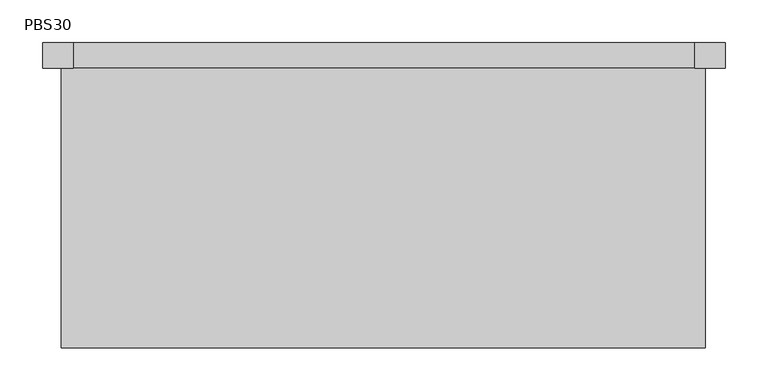
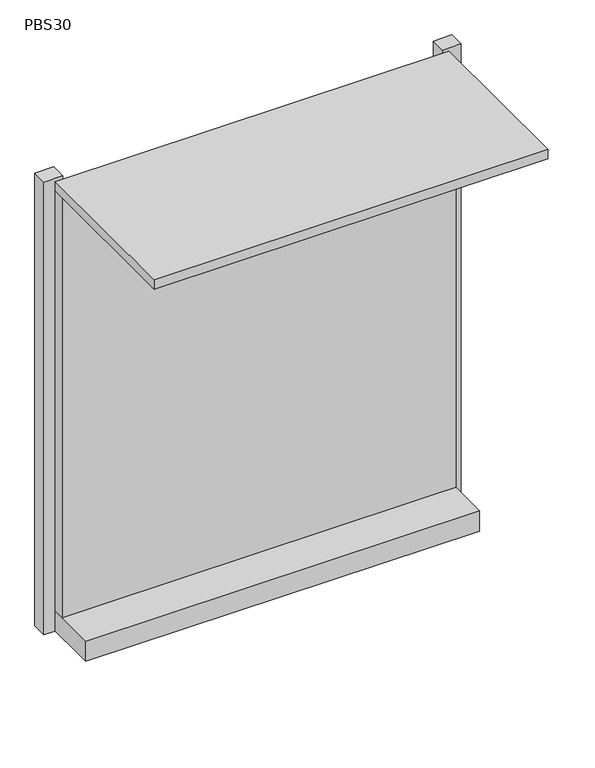
"""IFC4 building model written with IfcOpenShell, lengths in millimetres: furniture geometry, PBS30."""

import ifcopenshell
import ifcopenshell.guid

model = None  # the IFC model being written
_history = None  # IfcOwnerHistory: only IFC2X3 demands one
_inside = {}  # id of a spatial element -> (the spatial element, [elements in it])
_under = {}  # id of a project, library or spatial element -> (it, [spatial elements below it])
_declared = {}  # id of a project -> (the project, [libraries it declares])
_typed = {}  # id of a type object -> (the type object, [elements of that type])
_made_of = {}  # id of a material, layer set ... -> (it, [elements and type objects made of it])


def new_model(schema):
    """Start an empty IFC model of exactly this schema.

    Asked for "IFC4X3", IfcOpenShell would pick the latest addendum, in which some entities
    have other attributes; the version numbers below select the first issue.
    IFC2X3 requires an IfcOwnerHistory on every rooted entity: one is made here for all.
    """
    global model, _history
    if schema == "IFC4X3":
        model = ifcopenshell.file(schema_version=(4, 3, 0, 0))
    else:
        model = ifcopenshell.file(schema=schema)
    _inside.clear()
    _under.clear()
    _declared.clear()
    _typed.clear()
    _made_of.clear()
    _history = None
    if model.schema == "IFC2X3":
        org = make("IfcOrganization", Name="unknown")
        user = make(
            "IfcPersonAndOrganization",
            ThePerson=make("IfcPerson", FamilyName="unknown"),
            TheOrganization=org,
        )
        app = make(
            "IfcApplication",
            ApplicationDeveloper=org,
            Version="unknown",
            ApplicationFullName="unknown",
            ApplicationIdentifier="unknown",
        )
        _history = make(
            "IfcOwnerHistory",
            OwningUser=user,
            OwningApplication=app,
            ChangeAction="ADDED",
            CreationDate=0,
        )
    return model


def make(cls, **values):
    """One entity of the class cls with the attributes given. An attribute that is None is left unset."""
    return model.create_entity(
        cls, **{name: value for name, value in values.items() if value is not None}
    )


def rooted(cls, **values):
    """An entity with a GlobalId (a new one), such as an element, a storey or a relation."""
    return make(cls, GlobalId=ifcopenshell.guid.new(), OwnerHistory=_history, **values)


def si_unit(unit_type, name, prefix=None):
    """IfcSIUnit, for example si_unit("LENGTHUNIT", "METRE", prefix="MILLI")."""
    return make("IfcSIUnit", UnitType=unit_type, Prefix=prefix, Name=name)


def assignment(units):
    """IfcUnitAssignment: the units of a project."""
    return None if units is None else make("IfcUnitAssignment", Units=units)


def point(xyz):
    """IfcCartesianPoint."""
    return None if xyz is None else make("IfcCartesianPoint", Coordinates=xyz)


def direction(xyz):
    """IfcDirection."""
    return None if xyz is None else make("IfcDirection", DirectionRatios=xyz)


def frame(location, z_axis=None, x_axis=None):
    """IfcAxis2Placement3D, a coordinate frame: its origin and axes. An axis left out is left unset."""
    return make(
        "IfcAxis2Placement3D",
        Location=point(location),
        Axis=direction(z_axis),
        RefDirection=direction(x_axis),
    )


def origin():
    """The frame at (0, 0, 0) with its axes left unset."""
    return frame((0.0, 0.0, 0.0))


def place(relative_to, where):
    """IfcLocalPlacement: puts the frame where relative to a parent placement (None: the world)."""
    return make(
        "IfcLocalPlacement", PlacementRelTo=relative_to, RelativePlacement=where
    )


def context(
    kind, dimensions, precision=None, world=None, true_north=None, identifier=None
):
    """IfcGeometricRepresentationContext, for example the 3D "Model" context."""
    return make(
        "IfcGeometricRepresentationContext",
        ContextIdentifier=identifier,
        ContextType=kind,
        CoordinateSpaceDimension=dimensions,
        Precision=precision,
        WorldCoordinateSystem=world,
        TrueNorth=true_north,
    )


def project(units=None, contexts=None):
    """IfcProject with its units and contexts."""
    return rooted(
        "IfcProject",
        Name="project",
        RepresentationContexts=contexts,
        UnitsInContext=assignment(units),
    )


def spatial(cls, under=None, at=None, **own):
    """A site, building, storey or space (cls), placed at a placement, below another one or the project."""
    s = rooted(cls, ObjectPlacement=at, **own)
    if under is not None:
        _under.setdefault(under.id(), (under, []))[1].append(s)
    return s


def polyline(points):
    """IfcPolyline through the points."""
    return make("IfcPolyline", Points=[point(p) for p in points])


def outline(outer, holes=None, kind="AREA"):
    """IfcArbitraryClosedProfileDef: a profile drawn as a closed curve; with holes, ...WithVoids."""
    if holes is None:
        return make("IfcArbitraryClosedProfileDef", ProfileType=kind, OuterCurve=outer)
    return make(
        "IfcArbitraryProfileDefWithVoids",
        ProfileType=kind,
        OuterCurve=outer,
        InnerCurves=holes,
    )


def extrude(swept, where, along, depth):
    """IfcExtrudedAreaSolid: the profile swept, set in the frame where, extruded along a direction by depth."""
    return make(
        "IfcExtrudedAreaSolid",
        SweptArea=swept,
        Position=where,
        ExtrudedDirection=direction(along),
        Depth=depth,
    )


def shape(context_of_items, identifier, shape_type, items):
    """IfcShapeRepresentation: the items that make up one representation, for example the "Body"."""
    return make(
        "IfcShapeRepresentation",
        ContextOfItems=context_of_items,
        RepresentationIdentifier=identifier,
        RepresentationType=shape_type,
        Items=items,
    )


def source(mapping_origin, context_of_items, identifier, shape_type, items):
    """IfcRepresentationMap: a shape defined once, which mapped items show again and again."""
    return make(
        "IfcRepresentationMap",
        MappingOrigin=mapping_origin,
        MappedRepresentation=shape(context_of_items, identifier, shape_type, items),
    )


def transform(
    local_origin,
    x_axis=None,
    y_axis=None,
    z_axis=None,
    scale=None,
    scale2=None,
    scale3=None,
    uniform=True,
):
    """IfcCartesianTransformationOperator3D, or its non-uniform kind. x_axis, y_axis, z_axis: its Axis1, 2, 3."""
    if uniform:
        return make(
            "IfcCartesianTransformationOperator3D",
            Axis1=direction(x_axis),
            Axis2=direction(y_axis),
            LocalOrigin=point(local_origin),
            Scale=scale,
            Axis3=direction(z_axis),
        )
    return make(
        "IfcCartesianTransformationOperator3DnonUniform",
        Axis1=direction(x_axis),
        Axis2=direction(y_axis),
        LocalOrigin=point(local_origin),
        Scale=scale,
        Axis3=direction(z_axis),
        Scale2=scale2,
        Scale3=scale3,
    )


def mapped(mapping_source, mapping_target):
    """IfcMappedItem: shows the shape of a source again, moved by a transform."""
    return make(
        "IfcMappedItem", MappingSource=mapping_source, MappingTarget=mapping_target
    )


def made_of(thing, what):
    """Note that an element or type object is made of a material, layer set ...; save() writes the relation."""
    if what is not None:
        _made_of.setdefault(what.id(), (what, []))[1].append(thing)
    return thing


def element(
    cls,
    number,
    at=None,
    inside=None,
    cuts=None,
    type_object=None,
    material=None,
    context=None,
    identifier="Body",
    shape_type=None,
    held_by="IfcProductDefinitionShape",
    body=None,
    shapes=None,
    **own,
):
    """One element of the class cls, such as IfcWall. Its Tag is "e" and its number.

    at: its placement. inside: the storey or other place that contains it. cuts: it is an
    opening in that element (IfcRelVoidsElement). A single representation is given by context,
    identifier, shape_type and body (its items); several are given by shapes. held_by: the class
    of the entity that holds the representations. save() writes the other relations.
    """
    e = rooted(cls, Tag="e%d" % number, ObjectPlacement=at, **own)
    if body is not None:
        shapes = [shape(context, identifier, shape_type, body)]
    if shapes is not None:
        e.Representation = make(held_by, Representations=shapes)
    if inside is not None:
        _inside.setdefault(inside.id(), (inside, []))[1].append(e)
    if cuts is not None:
        rooted(
            "IfcRelVoidsElement", RelatingBuildingElement=cuts, RelatedOpeningElement=e
        )
    if type_object is not None:
        _typed.setdefault(type_object.id(), (type_object, []))[1].append(e)
    return made_of(e, material)


def aggregate(whole, parts):
    """IfcRelAggregates: a whole, such as a stair, and the parts it consists of."""
    return rooted("IfcRelAggregates", RelatingObject=whole, RelatedObjects=parts)


def save(model, path):
    """Write the relations noted so far, then the file.

    IfcRelAggregates (storeys below a building ...), IfcRelContainedInSpatialStructure (elements
    in a storey), IfcRelDefinesByType, IfcRelAssociatesMaterial and IfcRelDeclares: one each for
    every whole, place, type object, material and project.
    """
    for whole, parts in _under.values():
        aggregate(whole, parts)
    for where, things in _inside.values():
        rooted(
            "IfcRelContainedInSpatialStructure",
            RelatedElements=things,
            RelatingStructure=where,
        )
    for kind, things in _typed.values():
        rooted("IfcRelDefinesByType", RelatedObjects=things, RelatingType=kind)
    for what, things in _made_of.values():
        rooted("IfcRelAssociatesMaterial", RelatedObjects=things, RelatingMaterial=what)
    for by, libraries in _declared.values():
        rooted("IfcRelDeclares", RelatingContext=by, RelatedDefinitions=libraries)
    model.write(path)


def pbs30_10c394d2(model_context):
    return source(origin(), model_context, "Body", "SweptSolid", [
        extrude(outline(polyline([(-296.848457, -204.6266495), (-1049.2397192, -204.6266495), (-1049.2397192, 122.4711085), (-296.848457, 122.4711085), (-296.848457, -204.6266495)])), frame((0.0, 0.0, 2260.6), z_axis=(0.0, 0.0, 1.0), x_axis=(1.0, 0.0, 0.0)), (0.0, 0.0, 1.0), 19.05),
        extrude(outline(polyline([(-296.848457, 99.7029904), (-1049.2397192, 99.7029904), (-1049.2397192, 122.4711085), (-296.848457, 122.4711085), (-296.848457, 99.7029904)])), frame((0.0, 0.0, 1412.6686693), z_axis=(0.0, 0.0, 1.0), x_axis=(1.0, 0.0, 0.0)), (0.0, 0.0, 1.0), 847.9313307),
        extrude(outline(polyline([(-296.848457, 21.3353142), (-1049.2397192, 21.3353142), (-1049.2397192, 152.4), (-296.848457, 152.4), (-296.848457, 21.3353142)])), frame((0.0, 0.0, 1371.6), z_axis=(0.0, 0.0, 1.0), x_axis=(1.0, 0.0, 0.0)), (0.0, 0.0, 1.0), 41.0686693),
        extrude(outline(polyline([(-308.9843678, 122.4711085), (-308.9843678, 152.4), (-273.4346321, 152.4), (-273.4346321, 122.4711085), (-308.9843678, 122.4711085)])), frame((0.0, 0.0, 1371.6), z_axis=(0.0, 0.0, 1.0), x_axis=(1.0, 0.0, 0.0)), (0.0, 0.0, 1.0), 914.4),
        extrude(outline(polyline([(-1035.4346321, 122.4711085), (-1070.9843678, 122.4711085), (-1070.9843678, 152.4), (-1035.4346321, 152.4), (-1035.4346321, 122.4711085)])), frame((0.0, 0.0, 1371.6), z_axis=(0.0, 0.0, 1.0), x_axis=(1.0, 0.0, 0.0)), (0.0, 0.0, 1.0), 914.4),
    ])


if __name__ == "__main__":
    model = new_model("IFC4")
    model_context = context("Model", 3, world=origin())
    ifc_project = project(units=[si_unit("LENGTHUNIT", "METRE", prefix="MILLI")], contexts=[model_context])
    site = spatial("IfcSite", under=ifc_project)
    building = spatial("IfcBuilding", under=site)
    placement = place(None, origin())
    pbs30_shape = pbs30_10c394d2(model_context)
    element("IfcFurniture", 1, ObjectType="PBS30", at=placement, inside=building, context=model_context, shape_type="MappedRepresentation", body=[
        mapped(pbs30_shape, transform((0.0, 0.0, 0.0), x_axis=(1.0, 0.0, 0.0), y_axis=(0.0, 1.0, 0.0), z_axis=(0.0, 0.0, 1.0))),
    ])
    save(model, "model.ifc")
